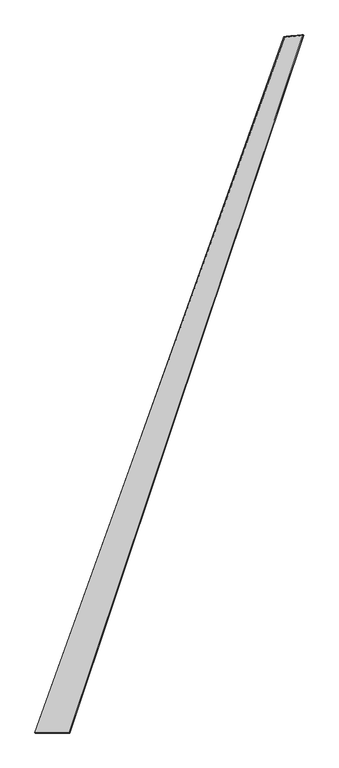
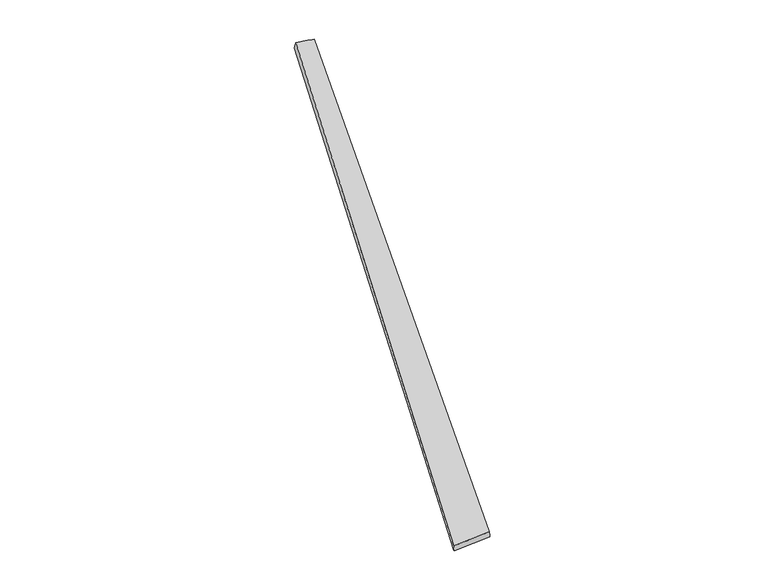
"""IFC4 building model written with IfcOpenShell, lengths in millimetres: proxy geometry."""

from ifc_helpers import new_model, si_unit, origin, place, context, project, spatial, source, transform, mapped, element, save
from ifc_brep_helpers import spline_surface, advanced_brep


def generic_models_c243f5cc(model_context):
    return source(origin(), model_context, "Body", "AdvancedBrep", [
        advanced_brep(
        [(-757.1009642, -1917.9891093, -6.8710937), (-759.0320909, -1917.4396873, 23.0616456), (752.6013009, 2290.30377, 41.7439508), (745.3354503, 2293.0312594, 12.7651962), (-551.0326333, -1917.386665, 36.7602748), (866.7537542, 2301.2982727, 16.6036977), (-549.0034792, -1918.2030629, 6.8401139), (860.7689931, 2303.1609127, -12.7342164)],
        [
            (0, 1),
            (1, 2),
            (2, 3),
            (3, 0),
            (1, 4),
            (4, 5),
            (5, 2),
            (4, 6),
            (6, 7),
            (7, 5),
            (6, 0),
            (3, 7),
        ],
        [
            spline_surface(1, 1, [[(-757.1009642, -1917.9891093, -6.8710937), (745.3354503, 2293.0312594, 12.7651962)], [(-759.0320909, -1917.4396873, 23.0616456), (752.6013009, 2290.30377, 41.7439508)]], [2, 2], [2, 2], [0.0, 1.0], [0.0, 1.0]),
            spline_surface(1, 1, [[(-759.0320909, -1917.4396873, 23.0616456), (752.6013009, 2290.30377, 41.7439508)], [(-551.0326333, -1917.386665, 36.7602748), (866.7537542, 2301.2982727, 16.6036977)]], [2, 2], [2, 2], [0.0, 1.0], [0.0, 1.0]),
            spline_surface(1, 1, [[(-551.0326333, -1917.386665, 36.7602748), (866.7537542, 2301.2982727, 16.6036977)], [(-549.0034792, -1918.2030629, 6.8401139), (860.7689931, 2303.1609127, -12.7342164)]], [2, 2], [2, 2], [0.0, 1.0], [0.0, 1.0]),
            spline_surface(1, 1, [[(-549.0034792, -1918.2030629, 6.8401139), (860.7689931, 2303.1609127, -12.7342164)], [(-757.1009642, -1917.9891093, -6.8710937), (745.3354503, 2293.0312594, 12.7651962)]], [2, 2], [2, 2], [0.0, 1.0], [0.0, 1.0]),
            spline_surface(1, 1, [[(752.6013009, 2290.30377, 41.7439508), (745.3354503, 2293.0312594, 12.7651962)], [(866.7537542, 2301.2982727, 16.6036977), (860.7689931, 2303.1609127, -12.7342164)]], [2, 2], [2, 2], [0.0, 1.0], [0.0, 1.0]),
            spline_surface(1, 1, [[(-549.0034792, -1918.2030629, 6.8401139), (-757.1009642, -1917.9891093, -6.8710937)], [(-551.0326333, -1917.386665, 36.7602748), (-759.0320909, -1917.4396873, 23.0616456)]], [2, 2], [2, 2], [0.0, 1.0], [0.0, 1.0]),
        ],
        [
            (0, [[1, 2, 3, 4]]),
            (1, [[5, 6, 7, -2]]),
            (2, [[8, 9, 10, -6]]),
            (3, [[11, -4, 12, -9]]),
            (4, [[-3, -7, -10, -12]]),
            (5, [[-11, -8, -5, -1]]),
        ],
    ),
    ])


if __name__ == "__main__":
    model = new_model("IFC4")
    model_context = context("Model", 3, world=origin())
    ifc_project = project(units=[si_unit("LENGTHUNIT", "METRE", prefix="MILLI")], contexts=[model_context])
    site = spatial("IfcSite", under=ifc_project)
    building = spatial("IfcBuilding", under=site)
    placement = place(None, origin())
    generic_models_shape = generic_models_c243f5cc(model_context)
    element("IfcBuildingElementProxy", 1, Name="Generic Models", at=placement, inside=building, context=model_context, shape_type="MappedRepresentation", body=[
        mapped(generic_models_shape, transform((0.0, 0.0, 0.0), x_axis=(1.0, 0.0, 0.0), y_axis=(0.0, 1.0, 0.0), z_axis=(0.0, 0.0, 1.0))),
    ])
    save(model, "model.ifc")
